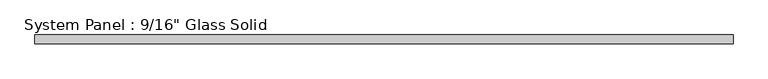
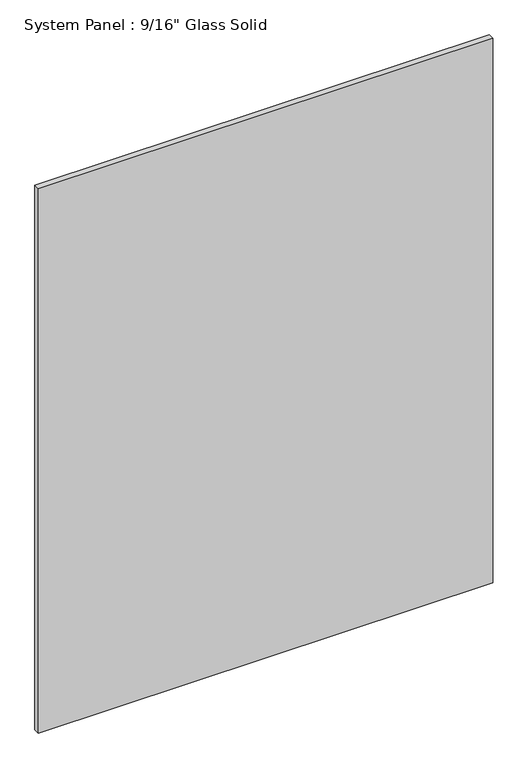
"""IFC4 building model written with IfcOpenShell, lengths in millimetres: plate geometry."""

from ifc_helpers import new_model, si_unit, origin, origin_with_axes, place, context, project, spatial, polyline, outline, extrude, source, transform, mapped, element, save


def plate_a8f2729c(model_context):
    return source(origin(), model_context, "Body", "SweptSolid", [
        extrude(outline(polyline([(558.2220691, -7.14375), (-558.2220691, -7.14375), (-558.2220691, 7.14375), (558.2220691, 7.14375), (558.2220691, -7.14375)])), origin_with_axes(), (0.0, 0.0, 1.0), 1413.6241382),
    ])


if __name__ == "__main__":
    model = new_model("IFC4")
    model_context = context("Model", 3, world=origin())
    ifc_project = project(units=[si_unit("LENGTHUNIT", "METRE", prefix="MILLI")], contexts=[model_context])
    site = spatial("IfcSite", under=ifc_project)
    building = spatial("IfcBuilding", under=site)
    placement = place(None, origin())
    plate_shape = plate_a8f2729c(model_context)
    element("IfcPlate", 1, ObjectType="System Panel : 9/16\" Glass Solid", at=placement, inside=building, context=model_context, shape_type="MappedRepresentation", body=[
        mapped(plate_shape, transform((0.0, 0.0, 0.0), x_axis=(1.0, 0.0, 0.0), y_axis=(0.0, 1.0, 0.0), z_axis=(0.0, 0.0, 1.0))),
    ])
    save(model, "model.ifc")
